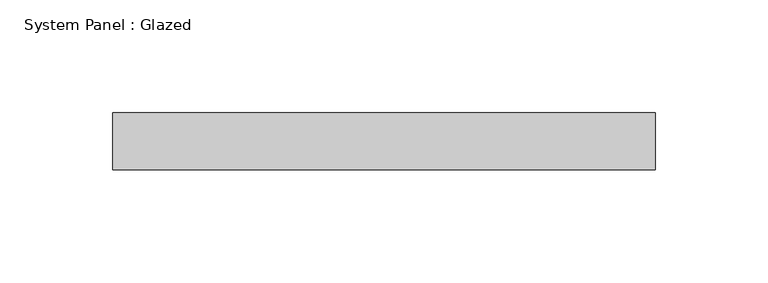
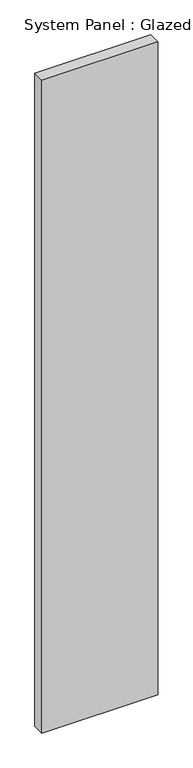
"""IFC4 building model written with IfcOpenShell, lengths in millimetres: plate geometry, System Panel : Glazed."""

from ifc_helpers import new_model, si_unit, origin, origin_with_axes, place, context, project, spatial, polyline, outline, extrude, source, transform, mapped, element, save


def system_panel_glazed_bafffb79(model_context):
    return source(origin(), model_context, "Body", "SweptSolid", [
        extrude(outline(polyline([(120.65, 0.0), (-120.65, 0.0), (-120.65, 25.4), (120.65, 25.4), (120.65, 0.0)])), origin_with_axes(), (0.0, 0.0, 1.0), 1435.1),
    ])


if __name__ == "__main__":
    model = new_model("IFC4")
    model_context = context("Model", 3, world=origin())
    ifc_project = project(units=[si_unit("LENGTHUNIT", "METRE", prefix="MILLI")], contexts=[model_context])
    site = spatial("IfcSite", under=ifc_project)
    building = spatial("IfcBuilding", under=site)
    placement = place(None, origin())
    system_panel_glazed_shape = system_panel_glazed_bafffb79(model_context)
    element("IfcPlate", 1, ObjectType="System Panel : Glazed", at=placement, inside=building, context=model_context, shape_type="MappedRepresentation", body=[
        mapped(system_panel_glazed_shape, transform((0.0, 0.0, 0.0), x_axis=(1.0, 0.0, 0.0), y_axis=(0.0, 1.0, 0.0), z_axis=(0.0, 0.0, 1.0))),
    ])
    save(model, "model.ifc")
